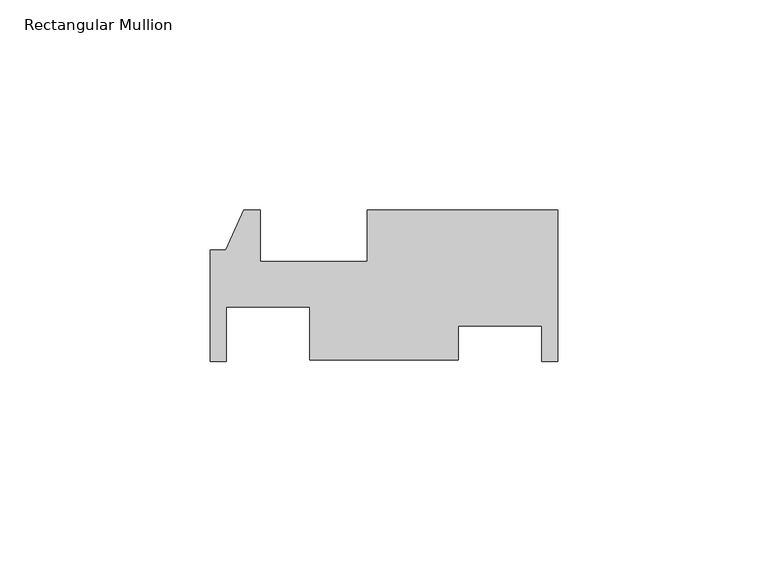
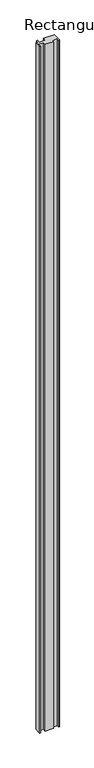
"""IFC4 building model written with IfcOpenShell, lengths in millimetres: member geometry, Rectangular Mullion."""

from ifc_helpers import new_model, si_unit, frame, origin, place, context, project, spatial, polyline, outline, extrude, source, transform, mapped, element, save


def rectangular_mullion_e3d87ca9(model_context):
    return source(origin(), model_context, "Body", "SweptSolid", [
        extrude(outline(polyline([(0.0, -20.3491233), (-3.7338, -20.3491233), (-3.7338, -11.8729647), (-23.5712, -11.8729647), (-23.5712, -20.0034217), (-58.9788, -20.0034217), (-58.9788, -7.3781107), (-78.8162, -7.3781107), (-78.8162, -20.3491233), (-82.55, -20.3491233), (-82.55, 6.1176767), (-78.9432, 6.1176767), (-74.6252, 15.6426767), (-70.7136, 15.6426767), (-70.7136, 3.4252767), (-45.3136, 3.4252767), (-45.3136, 15.6426767), (0.0, 15.6426767), (0.0, -20.3491233)])), frame((0.0, 0.0, -3048.0), z_axis=(0.0, 0.0, 1.0), x_axis=(1.0, 0.0, 0.0)), (0.0, 0.0, 1.0), 3048.0),
    ])


if __name__ == "__main__":
    model = new_model("IFC4")
    model_context = context("Model", 3, world=origin())
    ifc_project = project(units=[si_unit("LENGTHUNIT", "METRE", prefix="MILLI")], contexts=[model_context])
    site = spatial("IfcSite", under=ifc_project)
    building = spatial("IfcBuilding", under=site)
    placement = place(None, origin())
    rectangular_mullion_shape = rectangular_mullion_e3d87ca9(model_context)
    element("IfcMember", 1, ObjectType="Rectangular Mullion", at=placement, inside=building, context=model_context, shape_type="MappedRepresentation", body=[
        mapped(rectangular_mullion_shape, transform((0.0, 0.0, 0.0), x_axis=(1.0, 0.0, 0.0), y_axis=(0.0, 1.0, 0.0), z_axis=(0.0, 0.0, 1.0))),
    ])
    save(model, "model.ifc")
